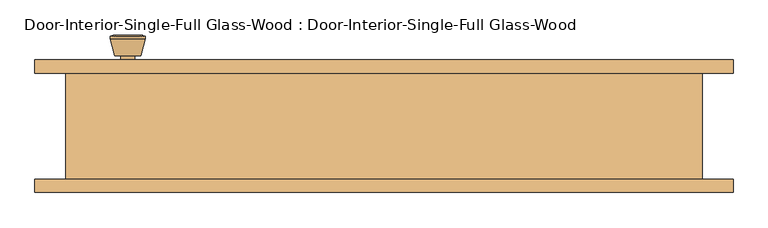
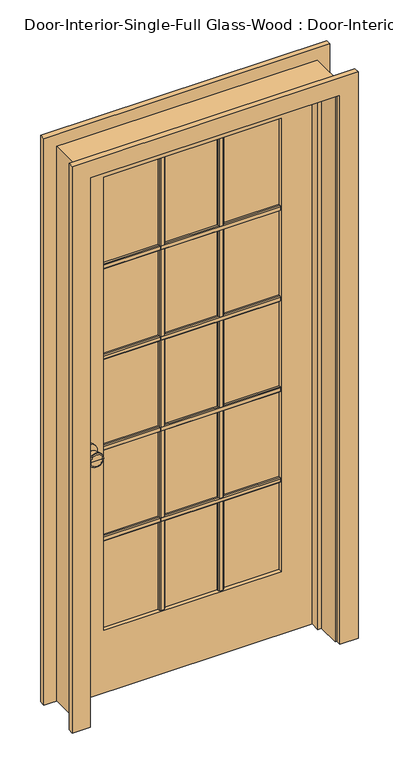
"""IFC4 building model written with IfcOpenShell, lengths in millimetres: door geometry, Door-Interior-Single-Full Glass-Wood : Door-Interior-Single-Full Glass-Wood."""

from ifc_helpers import new_model, si_unit, point, frame, frame_2d, origin, place, context, project, spatial, polyline, circle_curve, trimmed, segment, composite_curve, outline, extrude, faceted_brep, source, transform, mapped, element, save
from ifc_brep_helpers import plane_surface, cylinder_surface, revolved_surface, advanced_brep


def door_interior_single_full_glass_wood_door_interior_single_806cb7e3(model_context):
    return source(origin(), model_context, "Body", "SolidModel", [
        extrude(outline(polyline([(59.055, 1586.23), (65.405, 1586.23), (68.58, 1583.055), (68.58, 1570.355), (65.405, 1567.18), (59.055, 1567.18), (59.055, 1586.23)])), frame((-311.15, 0.0, 0.0), z_axis=(1.0, 0.0, 0.0), x_axis=(0.0, 1.0, 0.0)), (0.0, 0.0, 1.0), 622.3),
        extrude(outline(polyline([(59.055, 1249.9975), (65.405, 1249.9975), (68.58, 1246.8225), (68.58, 1234.1225), (65.405, 1230.9475), (59.055, 1230.9475), (59.055, 1249.9975)])), frame((-311.15, 0.0, 0.0), z_axis=(1.0, 0.0, 0.0), x_axis=(0.0, 1.0, 0.0)), (0.0, 0.0, 1.0), 622.3),
        extrude(outline(polyline([(59.055, 913.765), (65.405, 913.765), (68.58, 910.59), (68.58, 897.89), (65.405, 894.715), (59.055, 894.715), (59.055, 913.765)])), frame((-311.15, 0.0, 0.0), z_axis=(1.0, 0.0, 0.0), x_axis=(0.0, 1.0, 0.0)), (0.0, 0.0, 1.0), 622.3),
        extrude(outline(polyline([(59.055, 577.5325), (65.405, 577.5325), (68.58, 574.3575), (68.58, 561.6575), (65.405, 558.4825), (59.055, 558.4825), (59.055, 577.5325)])), frame((-311.15, 0.0, 0.0), z_axis=(1.0, 0.0, 0.0), x_axis=(0.0, 1.0, 0.0)), (0.0, 0.0, 1.0), 622.3),
        extrude(outline(polyline([(94.1916667, 59.055), (94.1916667, 65.405), (97.3666667, 68.58), (110.0666667, 68.58), (113.2416667, 65.405), (113.2416667, 59.055), (94.1916667, 59.055)])), frame((0.0, 0.0, 231.775), z_axis=(0.0, 0.0, 1.0), x_axis=(1.0, 0.0, 0.0)), (0.0, 0.0, 1.0), 1681.1625),
        extrude(outline(polyline([(-113.2416667, 59.055), (-113.2416667, 65.405), (-110.0666667, 68.58), (-97.3666667, 68.58), (-94.1916667, 65.405), (-94.1916667, 59.055), (-113.2416667, 59.055)])), frame((0.0, 0.0, 231.775), z_axis=(0.0, 0.0, 1.0), x_axis=(1.0, 0.0, 0.0)), (0.0, 0.0, 1.0), 1681.1625),
        extrude(outline(polyline([(52.07, 1586.23), (52.07, 1567.18), (45.72, 1567.18), (42.545, 1570.355), (42.545, 1583.055), (45.72, 1586.23), (52.07, 1586.23)])), frame((-311.15, 0.0, 0.0), z_axis=(1.0, 0.0, 0.0), x_axis=(0.0, 1.0, 0.0)), (0.0, 0.0, 1.0), 622.3),
        extrude(outline(polyline([(52.07, 1249.9975), (52.07, 1230.9475), (45.72, 1230.9475), (42.545, 1234.1225), (42.545, 1246.8225), (45.72, 1249.9975), (52.07, 1249.9975)])), frame((-311.15, 0.0, 0.0), z_axis=(1.0, 0.0, 0.0), x_axis=(0.0, 1.0, 0.0)), (0.0, 0.0, 1.0), 622.3),
        extrude(outline(polyline([(52.07, 913.765), (52.07, 894.715), (45.72, 894.715), (42.545, 897.89), (42.545, 910.59), (45.72, 913.765), (52.07, 913.765)])), frame((-311.15, 0.0, 0.0), z_axis=(1.0, 0.0, 0.0), x_axis=(0.0, 1.0, 0.0)), (0.0, 0.0, 1.0), 622.3),
        extrude(outline(polyline([(52.07, 577.5325), (52.07, 558.4825), (45.72, 558.4825), (42.545, 561.6575), (42.545, 574.3575), (45.72, 577.5325), (52.07, 577.5325)])), frame((-311.15, 0.0, 0.0), z_axis=(1.0, 0.0, 0.0), x_axis=(0.0, 1.0, 0.0)), (0.0, 0.0, 1.0), 622.3),
        extrude(outline(polyline([(94.1916667, 52.07), (113.2416667, 52.07), (113.2416667, 45.72), (110.0666667, 42.545), (97.3666667, 42.545), (94.1916667, 45.72), (94.1916667, 52.07)])), frame((0.0, 0.0, 231.775), z_axis=(0.0, 0.0, 1.0), x_axis=(1.0, 0.0, 0.0)), (0.0, 0.0, 1.0), 1681.1625),
        extrude(outline(polyline([(-113.2416667, 52.07), (-94.1916667, 52.07), (-94.1916667, 45.72), (-97.3666667, 42.545), (-110.0666667, 42.545), (-113.2416667, 45.72), (-113.2416667, 52.07)])), frame((0.0, 0.0, 231.775), z_axis=(0.0, 0.0, 1.0), x_axis=(1.0, 0.0, 0.0)), (0.0, 0.0, 1.0), 1681.1625),
        advanced_brep(
        [(-368.3, 32.1, 914.4), (-358.3, 32.1, 914.4), (-378.3, 32.1, 914.4), (-347.8241324, -16.9, 914.4), (-368.3, -16.9, 914.4), (-388.7758676, -16.9, 914.4), (-343.3, -15.0721319, 914.4), (-393.3, -15.0721319, 914.4), (-343.3, -11.6084537, 914.4), (-393.3, -11.6084537, 914.4), (-349.663764, 13.1, 914.4), (-386.936236, 13.1, 914.4), (-358.3, 13.1, 914.4), (-378.3, 13.1, 914.4)],
        [
            (0, 1),
            (1, 2, circle_curve(frame((-368.3, 32.1, 914.4), z_axis=(0.0, 1.0, 0.0), x_axis=(-1.0, 0.0, 0.0)), 10.0)),
            (2, 0),
            (2, 1, circle_curve(frame((-368.3, 32.1, 914.4), z_axis=(0.0, 1.0, 0.0), x_axis=(-1.0, 0.0, 0.0)), 10.0)),
            (3, 4),
            (4, 5),
            (5, 3, circle_curve(frame((-368.3, -16.9, 914.4), z_axis=(0.0, -1.0, 0.0), x_axis=(-1.0, 0.0, 0.0)), 20.4758676)),
            (3, 5, circle_curve(frame((-368.3, -16.9, 914.4), z_axis=(0.0, -1.0, 0.0), x_axis=(-1.0, 0.0, 0.0)), 20.4758676)),
            (6, 3),
            (5, 7),
            (7, 6, circle_curve(frame((-368.3, -15.0721319, 914.4), z_axis=(0.0, -1.0, 0.0), x_axis=(-1.0, 0.0, 0.0)), 25.0)),
            (6, 7, circle_curve(frame((-368.3, -15.0721319, 914.4), z_axis=(0.0, -1.0, 0.0), x_axis=(-1.0, 0.0, 0.0)), 25.0)),
            (8, 6),
            (7, 9),
            (9, 8, circle_curve(frame((-368.3, -11.6084537, 914.4), z_axis=(0.0, -1.0, 0.0), x_axis=(-1.0, 0.0, 0.0)), 25.0)),
            (8, 9, circle_curve(frame((-368.3, -11.6084537, 914.4), z_axis=(0.0, -1.0, 0.0), x_axis=(-1.0, 0.0, 0.0)), 25.0)),
            (10, 8),
            (9, 11),
            (11, 10, circle_curve(frame((-368.3, 13.1, 914.4), z_axis=(0.0, -1.0, 0.0), x_axis=(-1.0, 0.0, 0.0)), 18.636236)),
            (10, 11, circle_curve(frame((-368.3, 13.1, 914.4), z_axis=(0.0, -1.0, 0.0), x_axis=(-1.0, 0.0, 0.0)), 18.636236)),
            (12, 10),
            (11, 13),
            (13, 12, circle_curve(frame((-368.3, 13.1, 914.4), z_axis=(0.0, -1.0, 0.0), x_axis=(-1.0, 0.0, 0.0)), 10.0)),
            (12, 13, circle_curve(frame((-368.3, 13.1, 914.4), z_axis=(0.0, -1.0, 0.0), x_axis=(-1.0, 0.0, 0.0)), 10.0)),
            (1, 12),
            (13, 2),
        ],
        [
            plane_surface(frame((-368.3, 32.1, 914.4), z_axis=(0.0, 1.0, 0.0), x_axis=(-1.0, 0.0, 0.0))),
            plane_surface(frame((-368.3, -16.9, 914.4), z_axis=(0.0, -1.0, 0.0), x_axis=(-1.0, 0.0, 0.0))),
            revolved_surface(polyline([(-388.7758676, -16.9, 914.4), (-393.3, -15.0721319, 914.4)]), (-368.3, 32.1, 914.4), (0.0, 1.0, 0.0)),
            cylinder_surface(frame((-368.3, 32.1, 914.4), z_axis=(0.0, 1.0, 0.0), x_axis=(-1.0, 0.0, 0.0)), 25.0),
            revolved_surface(polyline([(-393.3, -11.6084537, 914.4), (-386.936236, 13.1, 914.4)]), (-368.3, 32.1, 914.4), (0.0, 1.0, 0.0)),
            plane_surface(frame((-368.3, 13.1, 914.4), z_axis=(0.0, 1.0, 0.0), x_axis=(-1.0, 0.0, 0.0))),
            cylinder_surface(frame((-368.3, 32.1, 914.4), z_axis=(0.0, 1.0, 0.0), x_axis=(-1.0, 0.0, 0.0)), 10.0),
        ],
        [
            (0, [[1, 2, 3]]),
            (0, [[-3, 4, -1]]),
            (1, [[5, 6, 7]]),
            (1, [[-6, -5, 8]]),
            (2, [[9, -7, 10, 11]]),
            (2, [[-10, -8, -9, 12]]),
            (3, [[13, -11, 14, 15]]),
            (3, [[-14, -12, -13, 16]]),
            (4, [[17, -15, 18, 19]]),
            (4, [[-18, -16, -17, 20]]),
            (5, [[21, -19, 22, 23]]),
            (5, [[-22, -20, -21, 24]]),
            (6, [[25, -23, 26, -2]]),
            (6, [[-26, -24, -25, -4]]),
        ],
    ),
        extrude(outline(composite_curve([segment(trimmed(circle_curve(frame_2d((914.4, -368.3)), 30.0), [point((914.4, -398.3))], [point((914.4, -338.3))], False, "CARTESIAN"), True, "CONTINUOUS"), segment(trimmed(circle_curve(frame_2d((914.4, -368.3)), 30.0), [point((914.4, -338.3))], [point((914.4, -398.3))], False, "CARTESIAN"), True, "CONTINUOUS")], self_intersect=False)), frame((0.0, 32.1, 0.0), z_axis=(0.0, 1.0, 0.0), x_axis=(0.0, 0.0, 1.0)), (0.0, 0.0, 1.0), 6.0),
        advanced_brep(
        [(-368.3, 79.025, 914.4), (-378.3, 79.025, 914.4), (-358.3, 79.025, 914.4), (-347.8241324, 128.025, 914.4), (-388.7758676, 128.025, 914.4), (-368.3, 128.025, 914.4), (-343.3, 126.1971319, 914.4), (-393.3, 126.1971319, 914.4), (-343.3, 122.7334537, 914.4), (-393.3, 122.7334537, 914.4), (-349.663764, 98.025, 914.4), (-386.936236, 98.025, 914.4), (-358.3, 98.025, 914.4), (-378.3, 98.025, 914.4)],
        [
            (0, 1),
            (1, 2, circle_curve(frame((-368.3, 79.025, 914.4), z_axis=(0.0, -1.0, 0.0), x_axis=(-1.0, 0.0, 0.0)), 10.0)),
            (2, 0),
            (2, 1, circle_curve(frame((-368.3, 79.025, 914.4), z_axis=(0.0, -1.0, 0.0), x_axis=(-1.0, 0.0, 0.0)), 10.0)),
            (3, 4, circle_curve(frame((-368.3, 128.025, 914.4), z_axis=(0.0, 1.0, 0.0), x_axis=(-1.0, 0.0, 0.0)), 20.4758676)),
            (4, 5),
            (5, 3),
            (4, 3, circle_curve(frame((-368.3, 128.025, 914.4), z_axis=(0.0, 1.0, 0.0), x_axis=(-1.0, 0.0, 0.0)), 20.4758676)),
            (6, 7, circle_curve(frame((-368.3, 126.1971319, 914.4), z_axis=(0.0, 1.0, 0.0), x_axis=(-1.0, 0.0, 0.0)), 25.0)),
            (7, 4),
            (3, 6),
            (7, 6, circle_curve(frame((-368.3, 126.1971319, 914.4), z_axis=(0.0, 1.0, 0.0), x_axis=(-1.0, 0.0, 0.0)), 25.0)),
            (8, 9, circle_curve(frame((-368.3, 122.7334537, 914.4), z_axis=(0.0, 1.0, 0.0), x_axis=(-1.0, 0.0, 0.0)), 25.0)),
            (9, 7),
            (6, 8),
            (9, 8, circle_curve(frame((-368.3, 122.7334537, 914.4), z_axis=(0.0, 1.0, 0.0), x_axis=(-1.0, 0.0, 0.0)), 25.0)),
            (10, 11, circle_curve(frame((-368.3, 98.025, 914.4), z_axis=(0.0, 1.0, 0.0), x_axis=(-1.0, 0.0, 0.0)), 18.636236)),
            (11, 9),
            (8, 10),
            (11, 10, circle_curve(frame((-368.3, 98.025, 914.4), z_axis=(0.0, 1.0, 0.0), x_axis=(-1.0, 0.0, 0.0)), 18.636236)),
            (12, 13, circle_curve(frame((-368.3, 98.025, 914.4), z_axis=(0.0, 1.0, 0.0), x_axis=(-1.0, 0.0, 0.0)), 10.0)),
            (13, 11),
            (10, 12),
            (13, 12, circle_curve(frame((-368.3, 98.025, 914.4), z_axis=(0.0, 1.0, 0.0), x_axis=(-1.0, 0.0, 0.0)), 10.0)),
            (1, 13),
            (12, 2),
        ],
        [
            plane_surface(frame((-368.3, 79.025, 914.4), z_axis=(0.0, -1.0, 0.0), x_axis=(-1.0, 0.0, 0.0))),
            plane_surface(frame((-368.3, 128.025, 914.4), z_axis=(0.0, 1.0, 0.0), x_axis=(-1.0, 0.0, 0.0))),
            revolved_surface(polyline([(-388.7758676, 128.025, 914.4), (-393.3, 126.1971319, 914.4)]), (-368.3, 79.025, 914.4), (0.0, -1.0, 0.0)),
            cylinder_surface(frame((-368.3, 79.025, 914.4), z_axis=(0.0, -1.0, 0.0), x_axis=(-1.0, 0.0, 0.0)), 25.0),
            revolved_surface(polyline([(-393.3, 122.7334537, 914.4), (-386.936236, 98.025, 914.4)]), (-368.3, 79.025, 914.4), (0.0, -1.0, 0.0)),
            plane_surface(frame((-368.3, 98.025, 914.4), z_axis=(0.0, -1.0, 0.0), x_axis=(-1.0, 0.0, 0.0))),
            cylinder_surface(frame((-368.3, 79.025, 914.4), z_axis=(0.0, -1.0, 0.0), x_axis=(-1.0, 0.0, 0.0)), 10.0),
        ],
        [
            (0, [[1, 2, 3]]),
            (0, [[-3, 4, -1]]),
            (1, [[5, 6, 7]]),
            (1, [[8, -7, -6]]),
            (2, [[9, 10, -5, 11]]),
            (2, [[12, -11, -8, -10]]),
            (3, [[13, 14, -9, 15]]),
            (3, [[16, -15, -12, -14]]),
            (4, [[17, 18, -13, 19]]),
            (4, [[20, -19, -16, -18]]),
            (5, [[21, 22, -17, 23]]),
            (5, [[24, -23, -20, -22]]),
            (6, [[-2, 25, -21, 26]]),
            (6, [[-4, -26, -24, -25]]),
        ],
    ),
        extrude(outline(composite_curve([segment(trimmed(circle_curve(frame_2d((914.4, -368.3)), 30.0), [point((914.4, -398.3))], [point((914.4, -338.3))], False, "CARTESIAN"), True, "CONTINUOUS"), segment(trimmed(circle_curve(frame_2d((914.4, -368.3)), 30.0), [point((914.4, -338.3))], [point((914.4, -398.3))], False, "CARTESIAN"), True, "CONTINUOUS")], self_intersect=False)), frame((0.0, 73.025, 0.0), z_axis=(0.0, 1.0, 0.0), x_axis=(0.0, 0.0, 1.0)), (0.0, 0.0, 1.0), 6.0),
        extrude(outline(polyline([(2032.0, -431.8), (0.0, -431.8), (0.0, 431.8), (2032.0, 431.8), (2032.0, -431.8)]), holes=[polyline([(1912.9375, -311.15), (1912.9375, 311.15), (231.775, 311.15), (231.775, -311.15), (1912.9375, -311.15)])]), frame((0.0, 38.1, 0.0), z_axis=(0.0, 1.0, 0.0), x_axis=(0.0, 0.0, 1.0)), (0.0, 0.0, 1.0), 34.925),
        faceted_brep([(457.2, 73.025, 0.0), (457.2, -79.375, 0.0), (431.8, -79.375, 0.0), (431.8, 3.175, 0.0), (419.1, 3.175, 0.0), (419.1, 38.1, 0.0), (431.8, 38.1, 0.0), (431.8, 73.025, 0.0), (457.2, 73.025, 2057.4), (457.2, -79.375, 2057.4), (-457.2, -79.375, 2057.4), (-457.2, -79.375, 0.0), (-431.8, -79.375, 0.0), (-431.8, -79.375, 2032.0), (431.8, -79.375, 2032.0), (431.8, 3.175, 2032.0), (-431.8, 3.175, 2032.0), (-431.8, 3.175, 0.0), (-419.1, 3.175, 0.0), (-419.1, 3.175, 2019.3), (419.1, 3.175, 2019.3), (419.1, 38.1, 2019.3), (-419.1, 38.1, 2019.3), (-419.1, 38.1, 0.0), (-431.8, 38.1, 0.0), (-431.8, 38.1, 2032.0), (431.8, 38.1, 2032.0), (431.8, 73.025, 2032.0), (-431.8, 73.025, 2032.0), (-431.8, 73.025, 0.0), (-457.2, 73.025, 0.0), (-457.2, 73.025, 2057.4)], [[[0, 1, 2, 3, 4, 5, 6, 7]], [[1, 0, 8, 9]], [[2, 1, 9, 10, 11, 12, 13, 14]], [[3, 2, 14, 15]], [[4, 3, 15, 16, 17, 18, 19, 20]], [[5, 4, 20, 21]], [[6, 5, 21, 22, 23, 24, 25, 26]], [[7, 6, 26, 27]], [[0, 7, 27, 28, 29, 30, 31, 8]], [[9, 8, 31, 10]], [[15, 14, 13, 16]], [[21, 20, 19, 22]], [[27, 26, 25, 28]], [[30, 29, 24, 23, 18, 17, 12, 11]], [[10, 31, 30, 11]], [[16, 13, 12, 17]], [[22, 19, 18, 23]], [[28, 25, 24, 29]]]),
        extrude(outline(polyline([(311.15, 52.07), (-311.15, 52.07), (-311.15, 59.055), (311.15, 59.055), (311.15, 52.07)])), frame((0.0, 0.0, 231.775), z_axis=(0.0, 0.0, 1.0), x_axis=(1.0, 0.0, 0.0)), (0.0, 0.0, 1.0), 1681.1625),
        extrude(outline(polyline([(0.0, 438.15), (0.0, 501.65), (2101.85, 501.65), (2101.85, -501.65), (0.0, -501.65), (0.0, -438.15), (2038.35, -438.15), (2038.35, 438.15), (0.0, 438.15)])), frame((0.0, -98.425, 0.0), z_axis=(0.0, 1.0, 0.0), x_axis=(0.0, 0.0, 1.0)), (0.0, 0.0, 1.0), 19.05),
        extrude(outline(polyline([(0.0, 438.15), (0.0, 501.65), (2101.85, 501.65), (2101.85, -501.65), (0.0, -501.65), (0.0, -438.15), (2038.35, -438.15), (2038.35, 438.15), (0.0, 438.15)])), frame((0.0, 73.025, 0.0), z_axis=(0.0, 1.0, 0.0), x_axis=(0.0, 0.0, 1.0)), (0.0, 0.0, 1.0), 19.05),
    ])


if __name__ == "__main__":
    model = new_model("IFC4")
    model_context = context("Model", 3, world=origin())
    ifc_project = project(units=[si_unit("LENGTHUNIT", "METRE", prefix="MILLI")], contexts=[model_context])
    site = spatial("IfcSite", under=ifc_project)
    building = spatial("IfcBuilding", under=site)
    placement = place(None, origin())
    door_interior_single_full_glass_wood_door_interior_single_shape = door_interior_single_full_glass_wood_door_interior_single_806cb7e3(model_context)
    element("IfcDoor", 1, ObjectType="Door-Interior-Single-Full Glass-Wood : Door-Interior-Single-Full Glass-Wood", at=placement, inside=building, context=model_context, shape_type="MappedRepresentation", body=[
        mapped(door_interior_single_full_glass_wood_door_interior_single_shape, transform((0.0, 0.0, 0.0), x_axis=(1.0, 0.0, 0.0), y_axis=(0.0, 1.0, 0.0), z_axis=(0.0, 0.0, 1.0))),
    ])
    save(model, "model.ifc")
